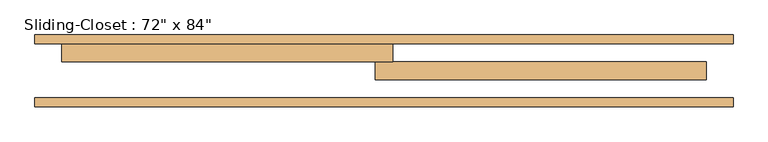
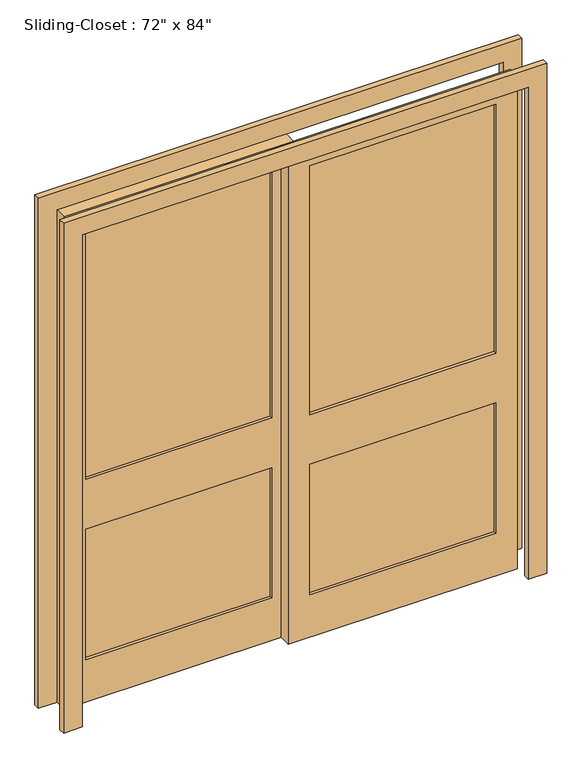
"""IFC4 building model written with IfcOpenShell, lengths in millimetres: door geometry."""

from ifc_helpers import new_model, si_unit, frame, origin, place, context, project, spatial, polyline, outline, extrude, source, transform, mapped, element, save


def door_22c916d3(model_context):
    return source(origin(), model_context, "Body", "SweptSolid", [
        extrude(outline(polyline([(-63.5, 165.1), (-825.5, 165.1), (-825.5, 190.5), (-63.5, 190.5), (-63.5, 165.1)])), frame((0.0, 0.0, 965.2), z_axis=(0.0, 0.0, 1.0), x_axis=(1.0, 0.0, 0.0)), (0.0, 0.0, 1.0), 1079.5),
        extrude(outline(polyline([(-63.5, 165.1), (-825.5, 165.1), (-825.5, 190.5), (-63.5, 190.5), (-63.5, 165.1)])), frame((0.0, 0.0, 184.15), z_axis=(0.0, 0.0, 1.0), x_axis=(1.0, 0.0, 0.0)), (0.0, 0.0, 1.0), 565.15),
        extrude(outline(polyline([(63.5, 139.7), (825.5, 139.7), (825.5, 114.3), (63.5, 114.3), (63.5, 139.7)])), frame((0.0, 0.0, 965.2), z_axis=(0.0, 0.0, 1.0), x_axis=(1.0, 0.0, 0.0)), (0.0, 0.0, 1.0), 1079.5),
        extrude(outline(polyline([(63.5, 139.7), (825.5, 139.7), (825.5, 114.3), (63.5, 114.3), (63.5, 139.7)])), frame((0.0, 0.0, 184.15), z_axis=(0.0, 0.0, 1.0), x_axis=(1.0, 0.0, 0.0)), (0.0, 0.0, 1.0), 565.15),
        extrude(outline(polyline([(2133.6, 25.4), (2133.6, -914.4), (0.0, -914.4), (0.0, 25.4), (2133.6, 25.4)]), holes=[polyline([(184.15, -825.5), (749.3, -825.5), (749.3, -63.5), (184.15, -63.5), (184.15, -825.5)]), polyline([(965.2, -825.5), (2044.7, -825.5), (2044.7, -63.5), (965.2, -63.5), (965.2, -825.5)])]), frame((0.0, 152.4, 0.0), z_axis=(0.0, 1.0, 0.0), x_axis=(0.0, 0.0, 1.0)), (0.0, 0.0, 1.0), 50.8),
        extrude(outline(polyline([(0.0, -990.6), (0.0, -914.4), (2133.6, -914.4), (2133.6, 914.4), (0.0, 914.4), (0.0, 990.6), (2209.8, 990.6), (2209.8, -990.6), (0.0, -990.6)])), frame((0.0, 25.4, 0.0), z_axis=(0.0, 1.0, 0.0), x_axis=(0.0, 0.0, 1.0)), (0.0, 0.0, 1.0), 25.4),
        extrude(outline(polyline([(0.0, 990.6), (2209.8, 990.6), (2209.8, -990.6), (0.0, -990.6), (0.0, -914.4), (2133.6, -914.4), (2133.6, 914.4), (0.0, 914.4), (0.0, 990.6)])), frame((0.0, 203.2, 0.0), z_axis=(0.0, 1.0, 0.0), x_axis=(0.0, 0.0, 1.0)), (0.0, 0.0, 1.0), 25.4),
        extrude(outline(polyline([(2133.6, -25.4), (0.0, -25.4), (0.0, 914.4), (2133.6, 914.4), (2133.6, -25.4)]), holes=[polyline([(965.2, 825.5), (965.2, 63.5), (2044.7, 63.5), (2044.7, 825.5), (965.2, 825.5)]), polyline([(184.15, 825.5), (184.15, 63.5), (749.3, 63.5), (749.3, 825.5), (184.15, 825.5)])]), frame((0.0, 101.6, 0.0), z_axis=(0.0, 1.0, 0.0), x_axis=(0.0, 0.0, 1.0)), (0.0, 0.0, 1.0), 50.8),
    ])


if __name__ == "__main__":
    model = new_model("IFC4")
    model_context = context("Model", 3, world=origin())
    ifc_project = project(units=[si_unit("LENGTHUNIT", "METRE", prefix="MILLI")], contexts=[model_context])
    site = spatial("IfcSite", under=ifc_project)
    building = spatial("IfcBuilding", under=site)
    placement = place(None, origin())
    door_shape = door_22c916d3(model_context)
    element("IfcDoor", 1, ObjectType="Sliding-Closet : 72\" x 84\"", at=placement, inside=building, context=model_context, shape_type="MappedRepresentation", body=[
        mapped(door_shape, transform((0.0, 0.0, 0.0), x_axis=(1.0, 0.0, 0.0), y_axis=(0.0, 1.0, 0.0), z_axis=(0.0, 0.0, 1.0))),
    ])
    save(model, "model.ifc")
